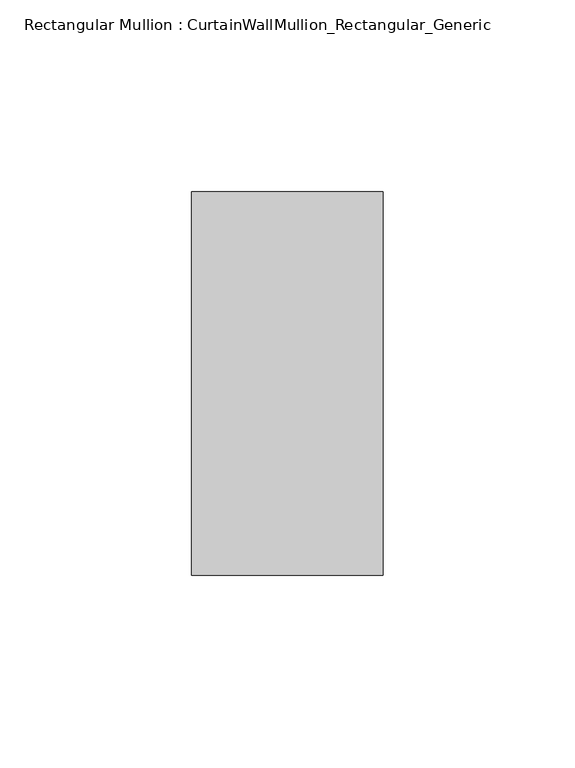
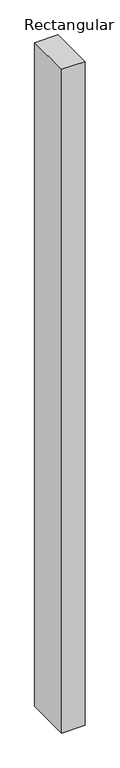
"""IFC4 building model written with IfcOpenShell, lengths in millimetres: member geometry, Rectangular Mullion : CurtainWallMullion_Rectangular_Generic."""

from ifc_helpers import new_model, si_unit, frame, origin, place, context, project, spatial, polyline, outline, extrude, source, transform, mapped, element, save


def rectangular_mullion_curtainwallmullion_rectangular_generic_3bdb59d8(model_context):
    return source(origin(), model_context, "Body", "SweptSolid", [
        extrude(outline(polyline([(0.0, 50.0), (0.0, -50.0), (-50.0, -50.0), (-50.0, 50.0), (0.0, 50.0)])), frame((0.0, 0.0, -1500.0), z_axis=(0.0, 0.0, 1.0), x_axis=(1.0, 0.0, 0.0)), (0.0, 0.0, 1.0), 1500.0),
    ])


if __name__ == "__main__":
    model = new_model("IFC4")
    model_context = context("Model", 3, world=origin())
    ifc_project = project(units=[si_unit("LENGTHUNIT", "METRE", prefix="MILLI")], contexts=[model_context])
    site = spatial("IfcSite", under=ifc_project)
    building = spatial("IfcBuilding", under=site)
    placement = place(None, origin())
    rectangular_mullion_curtainwallmullion_rectangular_generic_shape = rectangular_mullion_curtainwallmullion_rectangular_generic_3bdb59d8(model_context)
    element("IfcMember", 1, ObjectType="Rectangular Mullion : CurtainWallMullion_Rectangular_Generic", at=placement, inside=building, context=model_context, shape_type="MappedRepresentation", body=[
        mapped(rectangular_mullion_curtainwallmullion_rectangular_generic_shape, transform((0.0, 0.0, 0.0), x_axis=(1.0, 0.0, 0.0), y_axis=(0.0, 1.0, 0.0), z_axis=(0.0, 0.0, 1.0))),
    ])
    save(model, "model.ifc")
